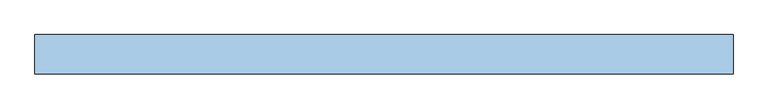
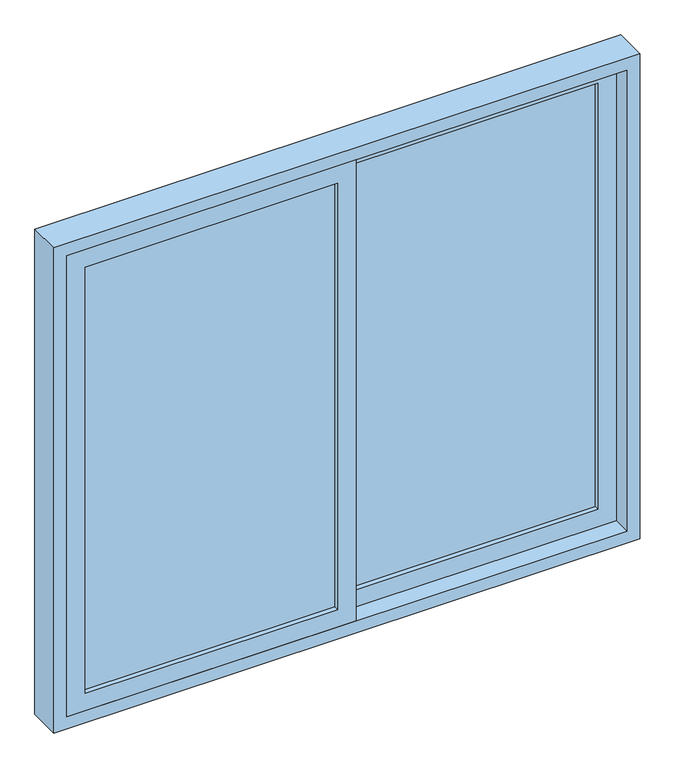
"""IFC4 building model written with IfcOpenShell, lengths in millimetres: window geometry."""

from ifc_helpers import new_model, si_unit, frame, origin, place, context, project, spatial, polyline, outline, extrude, source, transform, mapped, element, save


def window_f0fb8f16(model_context):
    return source(origin(), model_context, "Body", "SweptSolid", [
        extrude(outline(polyline([(685.0, -25.0), (685.0, 765.0), (2015.0, 765.0), (2015.0, -25.0), (685.0, -25.0)]), holes=[polyline([(1965.0, 25.0), (1965.0, 715.0), (735.0, 715.0), (735.0, 25.0), (1965.0, 25.0)])]), frame((0.0, -50.0, 0.0), z_axis=(0.0, 1.0, 0.0), x_axis=(0.0, 0.0, 1.0)), (0.0, 0.0, 1.0), 40.0),
        extrude(outline(polyline([(2015.0, 25.0), (2015.0, -765.0), (685.0, -765.0), (685.0, 25.0), (2015.0, 25.0)]), holes=[polyline([(735.0, -25.0), (735.0, -715.0), (1965.0, -715.0), (1965.0, -25.0), (735.0, -25.0)])]), frame((0.0, -100.0, 0.0), z_axis=(0.0, 1.0, 0.0), x_axis=(0.0, 0.0, 1.0)), (0.0, 0.0, 1.0), 40.0),
        extrude(outline(polyline([(2050.0, 800.0), (2050.0, -800.0), (650.0, -800.0), (650.0, 800.0), (2050.0, 800.0)]), holes=[polyline([(685.0, 765.0), (685.0, -765.0), (2015.0, -765.0), (2015.0, 765.0), (685.0, 765.0)])]), frame((0.0, -100.0, 0.0), z_axis=(0.0, 1.0, 0.0), x_axis=(0.0, 0.0, 1.0)), (0.0, 0.0, 1.0), 90.0),
        extrude(outline(polyline([(25.0, -23.0), (715.0, -23.0), (715.0, -37.0), (25.0, -37.0), (25.0, -23.0)])), frame((0.0, 0.0, 735.0), z_axis=(0.0, 0.0, 1.0), x_axis=(1.0, 0.0, 0.0)), (0.0, 0.0, 1.0), 1230.0),
        extrude(outline(polyline([(-715.0, -73.0), (-25.0, -73.0), (-25.0, -87.0), (-715.0, -87.0), (-715.0, -73.0)])), frame((0.0, 0.0, 735.0), z_axis=(0.0, 0.0, 1.0), x_axis=(1.0, 0.0, 0.0)), (0.0, 0.0, 1.0), 1230.0),
    ])


if __name__ == "__main__":
    model = new_model("IFC4")
    model_context = context("Model", 3, world=origin())
    ifc_project = project(units=[si_unit("LENGTHUNIT", "METRE", prefix="MILLI")], contexts=[model_context])
    site = spatial("IfcSite", under=ifc_project)
    building = spatial("IfcBuilding", under=site)
    placement = place(None, origin())
    window_shape = window_f0fb8f16(model_context)
    element("IfcWindow", 1, at=placement, inside=building, context=model_context, shape_type="MappedRepresentation", body=[
        mapped(window_shape, transform((0.0, 0.0, 0.0), x_axis=(1.0, 0.0, 0.0), y_axis=(0.0, 1.0, 0.0), z_axis=(0.0, 0.0, 1.0))),
    ])
    save(model, "model.ifc")
